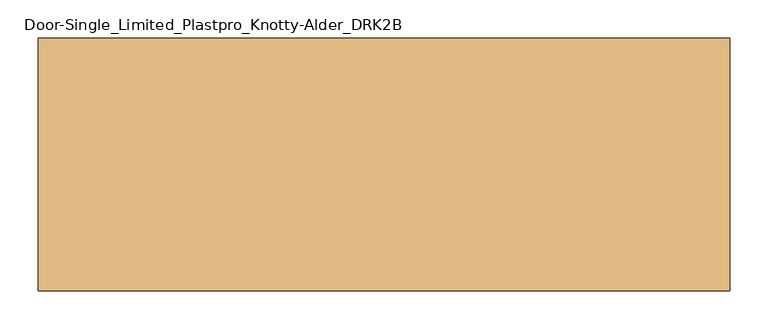
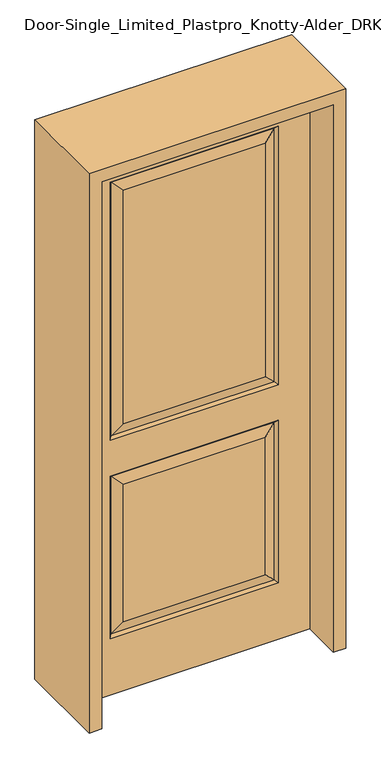
"""IFC4 building model written with IfcOpenShell, lengths in millimetres: door geometry, Door-Single_Limited_Plastpro_Knotty-Alder_DRK2B."""

from ifc_helpers import new_model, si_unit, frame, origin, place, context, project, spatial, polyline, outline, extrude, faceted_brep, source, transform, mapped, element, save


def door_single_limited_plastpro_knotty_alder_drk2b_ab4643fb(model_context):
    return source(origin(), model_context, "Body", "SolidModel", [
        faceted_brep([(-286.2947439, 13.2447439, 1896.0197439), (286.2947439, 13.2447439, 1896.0197439), (249.2375, 22.225, 1858.9625), (-249.2375, 22.225, 1858.9625), (406.4, 22.225, 0.0), (406.4, -22.225, 0.0), (-406.4, -22.225, 0.0), (-406.4, 22.225, 0.0), (286.2947439, 13.2447439, 803.8197439), (-286.2947439, 13.2447439, 803.8197439), (-295.275, 22.225, 812.8), (295.275, 22.225, 812.8), (286.2947439, -13.2447439, 955.1302561), (-286.2947439, -13.2447439, 955.1302561), (-295.275, -22.225, 946.15), (295.275, -22.225, 946.15), (-286.2947439, -13.2447439, 1896.0197439), (-295.275, -22.225, 1905.0), (286.2947439, -13.2447439, 218.5302561), (-286.2947439, -13.2447439, 218.5302561), (-295.275, -22.225, 209.55), (295.275, -22.225, 209.55), (-295.275, -22.225, 812.8), (-286.2947439, -13.2447439, 803.8197439), (286.2947439, -13.2447439, 803.8197439), (295.275, -22.225, 812.8), (249.2375, -22.225, 255.5875), (249.2375, -22.225, 766.7625), (-249.2375, -22.225, 766.7625), (-295.275, 22.225, 1905.0), (295.275, 22.225, 1905.0), (406.4, 22.225, 2032.0), (406.4, -22.225, 2032.0), (-249.2375, -22.225, 255.5875), (-406.4, -22.225, 2032.0), (295.275, -22.225, 1905.0), (-249.2375, -22.225, 992.1875), (249.2375, -22.225, 992.1875), (249.2375, -22.225, 1858.9625), (-249.2375, -22.225, 1858.9625), (-406.4, 22.225, 2032.0), (-249.2375, 22.225, 766.7625), (249.2375, 22.225, 766.7625), (249.2375, 22.225, 255.5875), (-249.2375, 22.225, 255.5875), (-295.275, 22.225, 209.55), (295.275, 22.225, 209.55), (-295.275, 22.225, 946.15), (295.275, 22.225, 946.15), (249.2375, 22.225, 992.1875), (-249.2375, 22.225, 992.1875), (-286.2947439, 13.2447439, 955.1302561), (286.2947439, 13.2447439, 955.1302561), (-286.2947439, 13.2447439, 218.5302561), (286.2947439, 13.2447439, 218.5302561), (286.2947439, -13.2447439, 1896.0197439)], [[[0, 1, 2, 3]], [[4, 5, 6, 7]], [[8, 9, 10, 11]], [[12, 13, 14, 15]], [[14, 13, 16, 17]], [[18, 19, 20, 21]], [[22, 23, 24, 25]], [[26, 18, 24, 27]], [[23, 28, 27, 24]], [[1, 0, 29, 30]], [[31, 32, 5, 4]], [[33, 26, 27, 28]], [[32, 34, 6, 5], [21, 20, 22, 25], [15, 14, 17, 35]], [[36, 37, 38, 39]], [[34, 40, 7, 6]], [[41, 42, 43, 44]], [[40, 31, 4, 7], [11, 10, 45, 46], [30, 29, 47, 48]], [[3, 2, 49, 50]], [[29, 0, 51, 47]], [[47, 51, 52, 48]], [[1, 30, 48, 52]], [[2, 1, 52, 49]], [[51, 50, 49, 52]], [[0, 3, 50, 51]], [[10, 9, 53, 45]], [[45, 53, 54, 46]], [[8, 11, 46, 54]], [[9, 8, 42, 41]], [[42, 8, 54, 43]], [[53, 44, 43, 54]], [[9, 41, 44, 53]], [[12, 15, 35, 55]], [[13, 12, 37, 36]], [[37, 12, 55, 38]], [[13, 36, 39, 16]], [[20, 19, 23, 22]], [[18, 21, 25, 24]], [[19, 18, 26, 33]], [[19, 33, 28, 23]], [[31, 40, 34, 32]], [[17, 16, 55, 35]], [[16, 39, 38, 55]]]),
        extrude(outline(polyline([(2076.45, -450.85), (0.0, -450.85), (0.0, -406.4), (2032.0, -406.4), (2032.0, 406.4), (0.0, 406.4), (0.0, 450.85), (2076.45, 450.85), (2076.45, -450.85)])), frame((0.0, -165.1, 0.0), z_axis=(0.0, 1.0, 0.0), x_axis=(0.0, 0.0, 1.0)), (0.0, 0.0, 1.0), 330.2),
    ])


if __name__ == "__main__":
    model = new_model("IFC4")
    model_context = context("Model", 3, world=origin())
    ifc_project = project(units=[si_unit("LENGTHUNIT", "METRE", prefix="MILLI")], contexts=[model_context])
    site = spatial("IfcSite", under=ifc_project)
    building = spatial("IfcBuilding", under=site)
    placement = place(None, origin())
    door_single_limited_plastpro_knotty_alder_drk2b_shape = door_single_limited_plastpro_knotty_alder_drk2b_ab4643fb(model_context)
    element("IfcDoor", 1, ObjectType="Door-Single_Limited_Plastpro_Knotty-Alder_DRK2B", at=placement, inside=building, context=model_context, shape_type="MappedRepresentation", body=[
        mapped(door_single_limited_plastpro_knotty_alder_drk2b_shape, transform((0.0, 0.0, 0.0), x_axis=(1.0, 0.0, 0.0), y_axis=(0.0, 1.0, 0.0), z_axis=(0.0, 0.0, 1.0))),
    ])
    save(model, "model.ifc")
